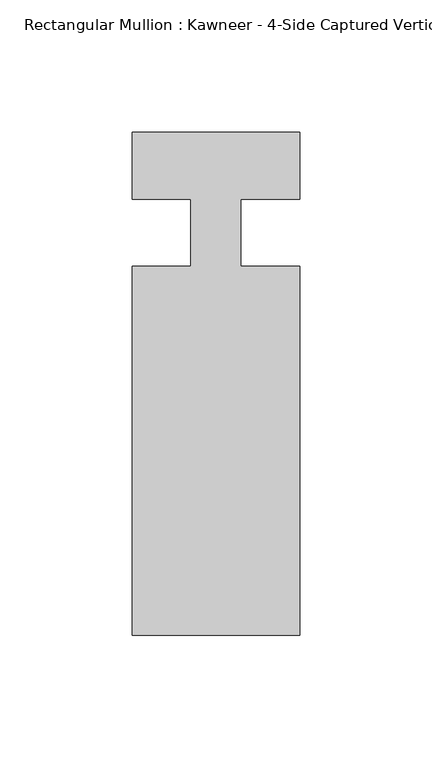
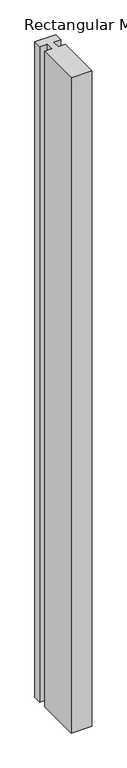
"""IFC4 building model written with IfcOpenShell, lengths in millimetres: member geometry."""

from ifc_helpers import new_model, si_unit, frame, origin, place, context, project, spatial, polyline, outline, extrude, source, transform, mapped, element, save


def member_19b8690f(model_context):
    return source(origin(), model_context, "Body", "SweptSolid", [
        extrude(outline(polyline([(-9.5251132, 12.7), (-31.75, 12.7), (-31.75, 38.1), (31.75, 38.1), (31.75, 12.7), (9.5251132, 12.7), (9.5251132, -12.7), (31.75, -12.7), (31.75, -152.399995), (-31.75, -152.399995), (-31.75, -12.7), (-9.5251132, -12.7), (-9.5251132, 12.7)])), frame((0.0, 0.0, -2111.4763988), z_axis=(0.0, 0.0, 1.0), x_axis=(1.0, 0.0, 0.0)), (0.0, 0.0, 1.0), 2111.4763988),
    ])


if __name__ == "__main__":
    model = new_model("IFC4")
    model_context = context("Model", 3, world=origin())
    ifc_project = project(units=[si_unit("LENGTHUNIT", "METRE", prefix="MILLI")], contexts=[model_context])
    site = spatial("IfcSite", under=ifc_project)
    building = spatial("IfcBuilding", under=site)
    placement = place(None, origin())
    member_shape = member_19b8690f(model_context)
    element("IfcMember", 1, ObjectType="Rectangular Mullion : Kawneer - 4-Side Captured Vertical Mullion - 7 1/2\"", at=placement, inside=building, context=model_context, shape_type="MappedRepresentation", body=[
        mapped(member_shape, transform((0.0, 0.0, 0.0), x_axis=(1.0, 0.0, 0.0), y_axis=(0.0, 1.0, 0.0), z_axis=(0.0, 0.0, 1.0))),
    ])
    save(model, "model.ifc")
